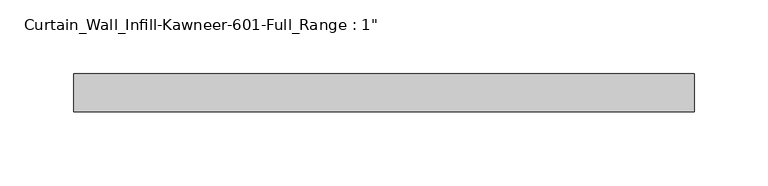
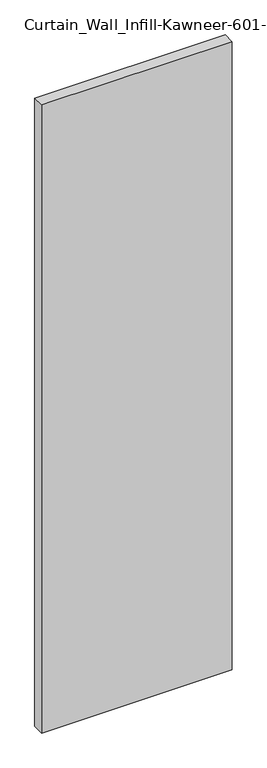
"""IFC4 building model written with IfcOpenShell, lengths in millimetres: plate geometry."""

from ifc_helpers import new_model, si_unit, frame, origin, place, context, project, spatial, polyline, outline, extrude, source, transform, mapped, element, save


def plate_236be135(model_context):
    return source(origin(), model_context, "Body", "SweptSolid", [
        extrude(outline(polyline([(-209.55, 0.0), (-209.55, 25.4), (209.55, 25.4), (209.55, 0.0), (-209.55, 0.0)])), frame((0.0, 0.0, -9.525), z_axis=(0.0, 0.0, 1.0), x_axis=(1.0, 0.0, 0.0)), (0.0, 0.0, 1.0), 1460.5),
    ])


if __name__ == "__main__":
    model = new_model("IFC4")
    model_context = context("Model", 3, world=origin())
    ifc_project = project(units=[si_unit("LENGTHUNIT", "METRE", prefix="MILLI")], contexts=[model_context])
    site = spatial("IfcSite", under=ifc_project)
    building = spatial("IfcBuilding", under=site)
    placement = place(None, origin())
    plate_shape = plate_236be135(model_context)
    element("IfcPlate", 1, ObjectType="Curtain_Wall_Infill-Kawneer-601-Full_Range : 1\"", at=placement, inside=building, context=model_context, shape_type="MappedRepresentation", body=[
        mapped(plate_shape, transform((0.0, 0.0, 0.0), x_axis=(1.0, 0.0, 0.0), y_axis=(0.0, 1.0, 0.0), z_axis=(0.0, 0.0, 1.0))),
    ])
    save(model, "model.ifc")
